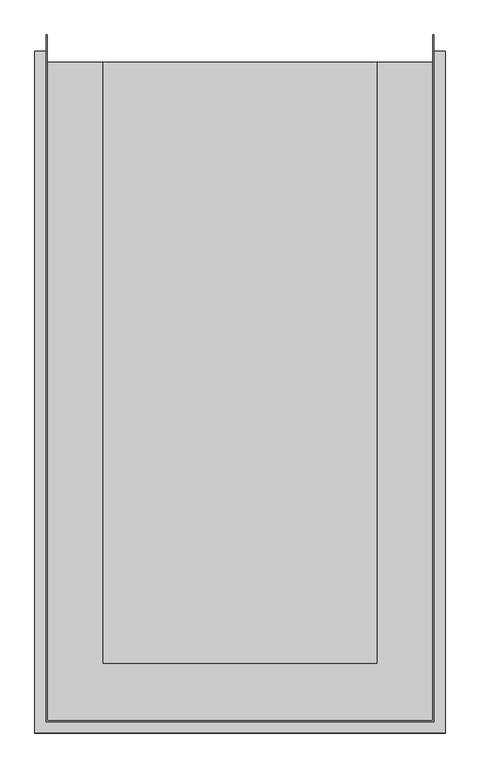
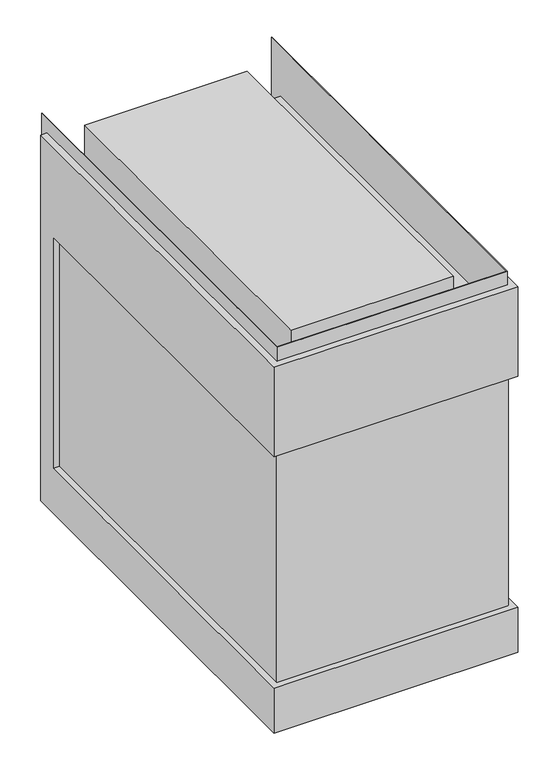
"""IFC4 building model written with IfcOpenShell, lengths in millimetres: proxy geometry."""

from ifc_helpers import new_model, si_unit, origin, place, context, project, spatial, faceted_brep, source, transform, mapped, element, save


def generic_models_cbe8f0d4(model_context):
    return source(origin(), model_context, "Body", "Brep", [
        faceted_brep([(-300.0629097, -1.5240312, 1006.475), (-300.0629097, 1035.1769924, 1006.475), (-317.461893, 1035.1769924, 1006.475), (-317.461893, -18.9230442, 1006.475), (317.5380975, -18.9230442, 1006.475), (317.5380975, 1035.1769924, 1006.475), (300.1390845, 1035.1769924, 1006.475), (300.1390845, -1.5240312, 1006.475), (-300.0629097, -1.5240312, 0.0), (300.1390845, -1.5240312, 0.0), (300.1390845, 1035.1769924, 0.0), (317.5380975, 1035.1769924, 0.0), (317.5380975, -18.9230442, 0.0), (-317.461893, -18.9230442, 0.0), (-317.461893, 1035.1769924, 0.0), (-300.0629097, 1035.1769924, 0.0), (-317.461893, -18.9230442, 123.825), (-317.461893, 977.9, 123.825), (-317.461893, 977.9, 760.4125), (-317.461893, -18.9230442, 760.4125), (317.5380975, -18.9230442, 760.4125), (317.5380975, -18.9230442, 123.825), (317.5380975, 977.9, 760.4125), (317.5380975, 977.9, 123.825), (301.6630975, 977.9, 760.4125), (301.6630975, 977.9, 123.825), (301.6630975, -3.0480442, 123.825), (-301.586893, -3.0480442, 123.825), (-301.586893, 977.9, 123.825), (301.6630975, -3.0480442, 760.4125), (-301.586893, 977.9, 760.4125), (-301.586893, -3.0480442, 760.4125)], [[[0, 1, 2, 3, 4, 5, 6, 7]], [[8, 9, 10, 11, 12, 13, 14, 15]], [[0, 7, 9, 8]], [[7, 6, 10, 9]], [[1, 0, 8, 15]], [[2, 1, 15, 14]], [[3, 2, 14, 13, 16, 17, 18, 19]], [[4, 3, 19, 20]], [[13, 12, 21, 16]], [[5, 4, 20, 22, 23, 21, 12, 11]], [[6, 5, 11, 10]], [[22, 24, 25, 23]], [[23, 25, 26, 27, 28, 17, 16, 21]], [[25, 24, 29, 26]], [[24, 22, 20, 19, 18, 30, 31, 29]], [[27, 26, 29, 31]], [[17, 28, 30, 18]], [[28, 27, 31, 30]]]),
        faceted_brep([(211.7343992, 88.6004269, 1006.475), (211.7343992, 1018.6669827, 1006.475), (-211.6328031, 1018.6669827, 1006.475), (-211.6328031, 88.6004269, 1006.475), (298.6151129, 1018.6669827, 0.0), (298.6151129, 1060.5769753, 0.0), (300.1390845, 1060.5769753, 0.0), (300.1390845, -1.5240312, 0.0), (-300.0629097, -1.5240312, 0.0), (-300.0629097, 1060.5769753, 0.0), (-298.449114, 1060.5769753, 0.0), (-298.449114, 1018.6669827, 0.0), (-211.6328031, 88.6004269, 908.05), (211.7343992, 88.6004269, 908.05), (211.7343992, 1018.6669827, 908.05), (298.6151129, 1018.6669827, 908.05), (-298.449114, 1018.6669827, 908.05), (-211.6328031, 1018.6669827, 908.05), (-300.0629097, -1.5240312, 1044.575), (300.1390845, -1.5240312, 1044.575), (300.1390845, 1060.5769753, 1044.575), (298.6151129, 1060.5769753, 1044.575), (298.6151129, 0.0, 1044.575), (-298.449114, 0.0, 1044.575), (-298.449114, 1060.5769753, 1044.575), (-300.0629097, 1060.5769753, 1044.575), (298.6151129, 0.0, 908.05), (-298.449114, 0.0, 908.05)], [[[0, 1, 2, 3]], [[4, 5, 6, 7, 8, 9, 10, 11]], [[0, 3, 12, 13]], [[1, 0, 13, 14]], [[2, 1, 14, 15, 4, 11, 16, 17]], [[3, 2, 17, 12]], [[18, 19, 20, 21, 22, 23, 24, 25]], [[23, 22, 26, 27]], [[19, 18, 8, 7]], [[20, 19, 7, 6]], [[21, 20, 6, 5]], [[22, 21, 5, 4, 15, 26]], [[24, 23, 27, 16, 11, 10]], [[25, 24, 10, 9]], [[18, 25, 9, 8]], [[15, 14, 13, 12, 17, 16, 27, 26]]]),
    ])


if __name__ == "__main__":
    model = new_model("IFC4")
    model_context = context("Model", 3, world=origin())
    ifc_project = project(units=[si_unit("LENGTHUNIT", "METRE", prefix="MILLI")], contexts=[model_context])
    site = spatial("IfcSite", under=ifc_project)
    building = spatial("IfcBuilding", under=site)
    placement = place(None, origin())
    generic_models_shape = generic_models_cbe8f0d4(model_context)
    element("IfcBuildingElementProxy", 1, Name="Generic Models", at=placement, inside=building, context=model_context, shape_type="MappedRepresentation", body=[
        mapped(generic_models_shape, transform((0.0, 0.0, 0.0), x_axis=(1.0, 0.0, 0.0), y_axis=(0.0, 1.0, 0.0), z_axis=(0.0, 0.0, 1.0))),
    ])
    save(model, "model.ifc")
